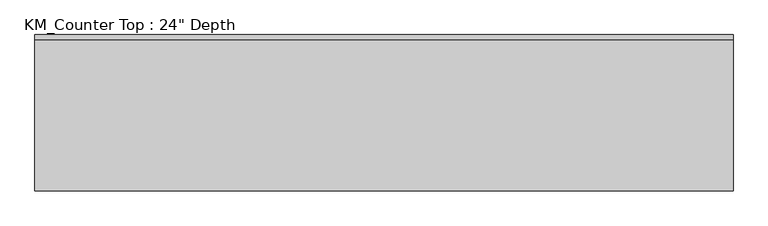
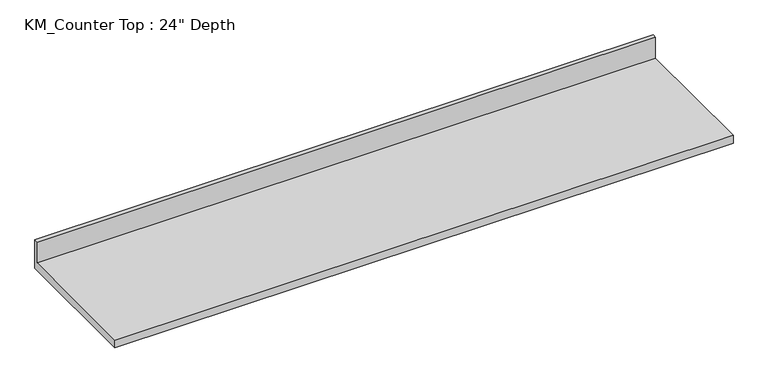
"""IFC4 building model written with IfcOpenShell, lengths in millimetres: furniture geometry."""

from ifc_helpers import new_model, si_unit, frame, origin, place, context, project, spatial, polyline, outline, extrude, source, transform, mapped, element, save


def furniture_655505cf(model_context):
    return source(origin(), model_context, "Body", "SweptSolid", [
        extrude(outline(polyline([(0.0, 965.2), (0.0, 825.5), (-635.0, 825.5), (-635.0, 863.6), (-19.05, 863.6), (-19.05, 965.2), (0.0, 965.2)])), frame((-1200.4622951, 0.0, 0.0), z_axis=(1.0, 0.0, 0.0), x_axis=(0.0, 1.0, 0.0)), (0.0, 0.0, 1.0), 2832.1),
    ])


if __name__ == "__main__":
    model = new_model("IFC4")
    model_context = context("Model", 3, world=origin())
    ifc_project = project(units=[si_unit("LENGTHUNIT", "METRE", prefix="MILLI")], contexts=[model_context])
    site = spatial("IfcSite", under=ifc_project)
    building = spatial("IfcBuilding", under=site)
    placement = place(None, origin())
    furniture_shape = furniture_655505cf(model_context)
    element("IfcFurniture", 1, ObjectType="KM_Counter Top : 24\" Depth", at=placement, inside=building, context=model_context, shape_type="MappedRepresentation", body=[
        mapped(furniture_shape, transform((0.0, 0.0, 0.0), x_axis=(1.0, 0.0, 0.0), y_axis=(0.0, 1.0, 0.0), z_axis=(0.0, 0.0, 1.0))),
    ])
    save(model, "model.ifc")
